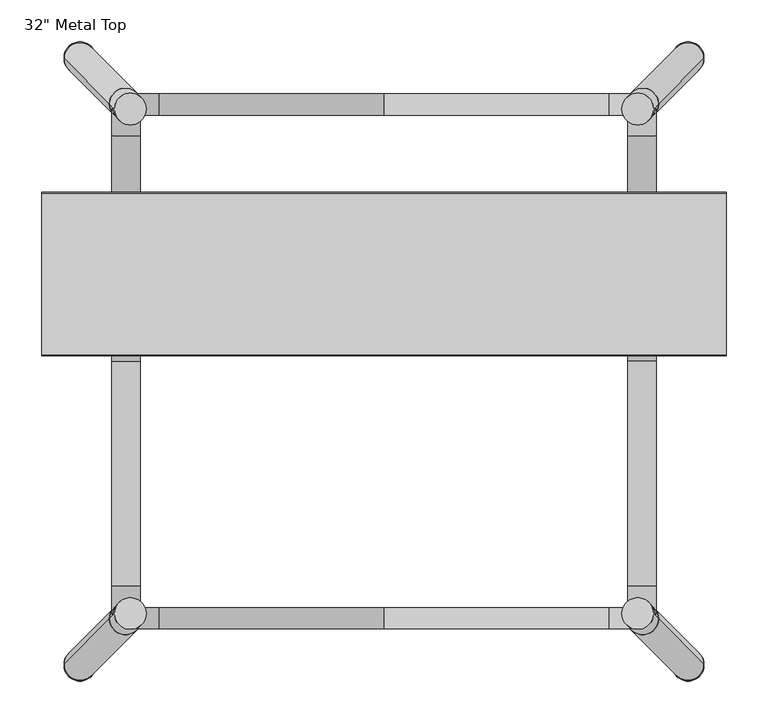
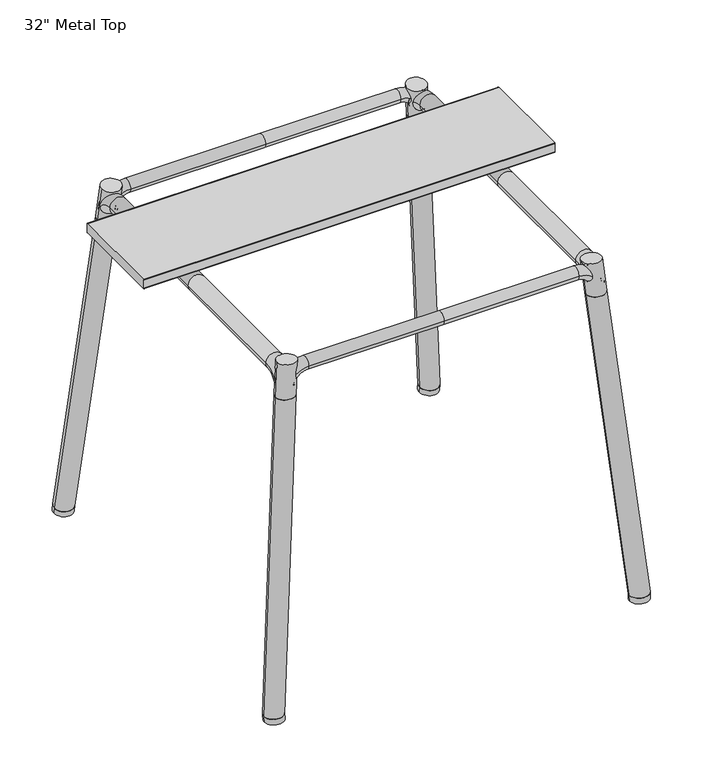
"""IFC4 building model written with IfcOpenShell, lengths in millimetres: furniture geometry."""

from ifc_helpers import new_model, si_unit, point, frame, origin, place, context, project, spatial, circle_curve, ellipse_curve, trimmed, source, transform, mapped, element, save
from ifc_brep_helpers import plane_surface, cylinder_surface, revolved_surface, extruded_surface, advanced_brep


def furniture_397d307a(model_context):
    return source(origin(), model_context, "Body", "AdvancedBrep", [
        advanced_brep(
        [(307.8685234, -121.2830404, 648.1723325), (307.8685234, -95.8830404, 648.1723325), (270.3447327, -121.2830404, 682.1323445), (270.3447327, -95.8830404, 682.1323445), (0.7606771, -121.2830404, 682.1323445), (0.7606771, -95.8830404, 682.1323445), (-306.3471692, -121.2830404, 648.1723325), (-306.3471692, -95.8830404, 648.1723325), (-268.8233785, -95.8830404, 682.1323445), (-268.8233785, -121.2830404, 682.1323445)],
        [
            (0, 1, circle_curve(frame((307.8685234, -108.5830404, 648.1723325), z_axis=(0.09962738029575449, 0.0, -0.9950248163213846), x_axis=(0.0, 1.0, 0.0)), 12.7)),
            (1, 0, circle_curve(frame((307.8685234, -108.5830404, 648.1723325), z_axis=(0.09962738029575449, 0.0, -0.9950248163213846), x_axis=(0.0, 1.0, 0.0)), 12.7)),
            (0, 2, circle_curve(frame((270.3384448, -121.2830404, 644.4146138), z_axis=(0.0, -1.0, 0.0), x_axis=(0.9950248163208736, 0.0, 0.09962738030085823)), 37.7177313)),
            (2, 3, circle_curve(frame((270.3447327, -108.5830404, 682.1323445), z_axis=(0.9999999861040603, 0.0, -0.0001667089654998205), x_axis=(0.0, 1.0, 0.0)), 12.7)),
            (3, 1, circle_curve(frame((270.3384448, -95.8830404, 644.4146138), z_axis=(0.0, 1.0, 0.0), x_axis=(0.9950248163208736, 0.0, 0.09962738030085823)), 37.7177313)),
            (3, 2, circle_curve(frame((270.3447327, -108.5830404, 682.1323445), z_axis=(0.9999999861040604, 0.0, -0.00016670896549936254), x_axis=(0.0, 1.0, 0.0)), 12.7)),
            (2, 4),
            (4, 5, circle_curve(frame((0.7606771, -108.5830404, 682.1323445), z_axis=(1.0, 0.0, -5.1322696092981346e-12), x_axis=(0.0, 1.0, 0.0)), 12.7)),
            (5, 3),
            (5, 4, circle_curve(frame((0.7606771, -108.5830404, 682.1323445), z_axis=(1.0, 0.0, -5.1322696092981346e-12), x_axis=(0.0, 1.0, 0.0)), 12.7)),
            (6, 7, circle_curve(frame((-306.3471692, -108.5830404, 648.1723325), z_axis=(-0.09962738029578194, 0.0, -0.9950248163213818), x_axis=(0.0, 1.0, 0.0)), 12.7)),
            (7, 6, circle_curve(frame((-306.3471692, -108.5830404, 648.1723325), z_axis=(-0.09962738029578194, 0.0, -0.9950248163213818), x_axis=(0.0, 1.0, 0.0)), 12.7)),
            (7, 8, circle_curve(frame((-268.8170906, -95.8830404, 644.4146138), z_axis=(0.0, 1.0, 0.0), x_axis=(-0.9950248163208708, 0.0, 0.09962738030088575)), 37.7177313)),
            (8, 9, circle_curve(frame((-268.8233785, -108.5830404, 682.1323445), z_axis=(-0.9999999861040603, 0.0, -0.00016670896547134328), x_axis=(0.0, 1.0, 0.0)), 12.7)),
            (9, 6, circle_curve(frame((-268.8170906, -121.2830404, 644.4146138), z_axis=(0.0, -1.0, 0.0), x_axis=(-0.9950248163208708, 0.0, 0.09962738030088575)), 37.7177313)),
            (9, 8, circle_curve(frame((-268.8233785, -108.5830404, 682.1323445), z_axis=(-0.9999999861040603, 0.0, -0.00016670896547134328), x_axis=(0.0, 1.0, 0.0)), 12.7)),
            (8, 5),
            (4, 9),
        ],
        [
            plane_surface(frame((307.8685234, -113.5470785, 648.1723325), z_axis=(0.09962738030085824, 0.0, -0.9950248163208736), x_axis=(0.0, -1.0, 0.0))),
            revolved_surface(trimmed(ellipse_curve(frame((307.8685234, -108.5830404, 648.1723325), z_axis=(0.09962738029575449, 0.0, -0.9950248163213846), x_axis=(0.0, 1.0, 0.0)), 12.7, 12.7), [point((307.8685234, -121.2830404, 648.1723325))], [point((307.8685234, -95.8830404, 648.1723325))], True, "CARTESIAN"), (270.3384448, -113.5470785, 644.4146138), (0.0, -1.0, 0.0)),
            revolved_surface(trimmed(ellipse_curve(frame((307.8685234, -108.5830404, 648.1723325), z_axis=(0.09962738029575449, 0.0, -0.9950248163213846), x_axis=(0.0, 1.0, 0.0)), 12.7, 12.7), [point((307.8685234, -95.8830404, 648.1723325))], [point((307.8685234, -121.2830404, 648.1723325))], True, "CARTESIAN"), (270.3384448, -113.5470785, 644.4146138), (0.0, -1.0, 0.0)),
            cylinder_surface(frame((270.3447327, -108.5830404, 682.1323445), z_axis=(1.0, 0.0, -5.1322696092981346e-12), x_axis=(0.0, 1.0, 0.0)), 12.7),
            plane_surface(frame((-306.3471692, -113.5470785, 648.1723325), z_axis=(-0.09962738030088569, 0.0, -0.9950248163208709), x_axis=(0.0, -1.0, 0.0))),
            revolved_surface(trimmed(ellipse_curve(frame((-306.3471692, -108.5830404, 648.1723325), z_axis=(-0.09962738029578194, 0.0, -0.9950248163213818), x_axis=(0.0, 1.0, 0.0)), 12.7, 12.7), [point((-306.3471692, -95.8830404, 648.1723325))], [point((-306.3471692, -121.2830404, 648.1723325))], True, "CARTESIAN"), (-268.8170906, -113.5470785, 644.4146138), (0.0, 1.0, 0.0)),
            revolved_surface(trimmed(ellipse_curve(frame((-306.3471692, -108.5830404, 648.1723325), z_axis=(-0.09962738029578194, 0.0, -0.9950248163213818), x_axis=(0.0, 1.0, 0.0)), 12.7, 12.7), [point((-306.3471692, -121.2830404, 648.1723325))], [point((-306.3471692, -95.8830404, 648.1723325))], True, "CARTESIAN"), (-268.8170906, -113.5470785, 644.4146138), (0.0, 1.0, 0.0)),
            cylinder_surface(frame((-268.8233785, -108.5830404, 682.1323445), z_axis=(-1.0, 0.0, -5.1046944449240064e-12), x_axis=(0.0, 1.0, 0.0)), 12.7),
        ],
        [
            (0, [[1, 2]]),
            (1, [[-1, 3, 4, 5]]),
            (2, [[-2, -5, 6, -3]]),
            (3, [[-4, 7, 8, 9]]),
            (3, [[-6, -9, 10, -7]]),
            (4, [[11, 12]]),
            (5, [[-12, 13, 14, 15]]),
            (6, [[-11, -15, 16, -13]]),
            (7, [[-14, 17, -8, 18]]),
            (7, [[-16, -18, -10, -17]]),
        ],
    ),
        advanced_brep(
        [(-306.3471692, -710.5669596, 648.1723325), (-306.3471692, -735.9669596, 648.1723325), (-268.8233785, -710.5669596, 682.1323445), (-268.8233785, -735.9669596, 682.1323445), (0.7606771, -710.5669596, 682.1323445), (0.7606771, -735.9669596, 682.1323445), (307.8685234, -710.5669596, 648.1723325), (307.8685234, -735.9669596, 648.1723325), (270.3447327, -735.9669596, 682.1323445), (270.3447327, -710.5669596, 682.1323445)],
        [
            (0, 1, circle_curve(frame((-306.3471692, -723.2669596, 648.1723325), z_axis=(-0.09962738029578194, 0.0, -0.9950248163213818), x_axis=(0.0, -1.0, 0.0)), 12.7)),
            (1, 0, circle_curve(frame((-306.3471692, -723.2669596, 648.1723325), z_axis=(-0.09962738029578194, 0.0, -0.9950248163213818), x_axis=(0.0, -1.0, 0.0)), 12.7)),
            (0, 2, circle_curve(frame((-268.8170906, -710.5669596, 644.4146138), z_axis=(0.0, 1.0, 0.0), x_axis=(-0.9950248163208708, 0.0, 0.09962738030088575)), 37.7177313)),
            (2, 3, circle_curve(frame((-268.8233785, -723.2669596, 682.1323445), z_axis=(-0.9999999861040603, 0.0, -0.00016670896546999714), x_axis=(0.0, -1.0, 0.0)), 12.7)),
            (3, 1, circle_curve(frame((-268.8170906, -735.9669596, 644.4146138), z_axis=(0.0, -1.0, 0.0), x_axis=(-0.9950248163208708, 0.0, 0.09962738030088575)), 37.7177313)),
            (3, 2, circle_curve(frame((-268.8233785, -723.2669596, 682.1323445), z_axis=(-0.9999999861040603, 0.0, -0.0001667089654697751), x_axis=(0.0, -1.0, 0.0)), 12.7)),
            (2, 4),
            (4, 5, circle_curve(frame((0.7606771, -723.2669596, 682.1323445), z_axis=(-1.0, 0.0, -5.1046944449240064e-12), x_axis=(0.0, -1.0, 0.0)), 12.7)),
            (5, 3),
            (5, 4, circle_curve(frame((0.7606771, -723.2669596, 682.1323445), z_axis=(-1.0, 0.0, -5.1046944449240064e-12), x_axis=(0.0, -1.0, 0.0)), 12.7)),
            (6, 7, circle_curve(frame((307.8685234, -723.2669596, 648.1723325), z_axis=(0.09962738029575449, 0.0, -0.9950248163213846), x_axis=(0.0, -1.0, 0.0)), 12.7)),
            (7, 6, circle_curve(frame((307.8685234, -723.2669596, 648.1723325), z_axis=(0.09962738029575449, 0.0, -0.9950248163213846), x_axis=(0.0, -1.0, 0.0)), 12.7)),
            (7, 8, circle_curve(frame((270.3384448, -735.9669596, 644.4146138), z_axis=(0.0, -1.0, 0.0), x_axis=(0.9950248163208736, 0.0, 0.09962738030085823)), 37.7177313)),
            (8, 9, circle_curve(frame((270.3447327, -723.2669596, 682.1323445), z_axis=(0.9999999861040604, 0.0, -0.00016670896549936254), x_axis=(0.0, -1.0, 0.0)), 12.7)),
            (9, 6, circle_curve(frame((270.3384448, -710.5669596, 644.4146138), z_axis=(0.0, 1.0, 0.0), x_axis=(0.9950248163208736, 0.0, 0.09962738030085823)), 37.7177313)),
            (9, 8, circle_curve(frame((270.3447327, -723.2669596, 682.1323445), z_axis=(0.9999999861040603, 0.0, -0.0001667089654998205), x_axis=(0.0, -1.0, 0.0)), 12.7)),
            (8, 5),
            (4, 9),
        ],
        [
            plane_surface(frame((-306.3471692, -718.3029215, 648.1723325), z_axis=(-0.09962738030088569, 0.0, -0.9950248163208709), x_axis=(0.0, 1.0, 0.0))),
            revolved_surface(trimmed(ellipse_curve(frame((-306.3471692, -723.2669596, 648.1723325), z_axis=(-0.09962738029578194, 0.0, -0.9950248163213818), x_axis=(0.0, -1.0, 0.0)), 12.7, 12.7), [point((-306.3471692, -710.5669596, 648.1723325))], [point((-306.3471692, -735.9669596, 648.1723325))], True, "CARTESIAN"), (-268.8170906, -718.3029215, 644.4146138), (0.0, 1.0, 0.0)),
            revolved_surface(trimmed(ellipse_curve(frame((-306.3471692, -723.2669596, 648.1723325), z_axis=(-0.09962738029578194, 0.0, -0.9950248163213818), x_axis=(0.0, -1.0, 0.0)), 12.7, 12.7), [point((-306.3471692, -735.9669596, 648.1723325))], [point((-306.3471692, -710.5669596, 648.1723325))], True, "CARTESIAN"), (-268.8170906, -718.3029215, 644.4146138), (0.0, 1.0, 0.0)),
            cylinder_surface(frame((-268.8233785, -723.2669596, 682.1323445), z_axis=(-1.0, 0.0, -5.1046944449240064e-12), x_axis=(0.0, -1.0, 0.0)), 12.7),
            plane_surface(frame((307.8685234, -718.3029215, 648.1723325), z_axis=(0.09962738030085824, 0.0, -0.9950248163208736), x_axis=(0.0, 1.0, 0.0))),
            revolved_surface(trimmed(ellipse_curve(frame((307.8685234, -723.2669596, 648.1723325), z_axis=(0.09962738029575449, 0.0, -0.9950248163213846), x_axis=(0.0, -1.0, 0.0)), 12.7, 12.7), [point((307.8685234, -735.9669596, 648.1723325))], [point((307.8685234, -710.5669596, 648.1723325))], True, "CARTESIAN"), (270.3384448, -718.3029215, 644.4146138), (0.0, -1.0, 0.0)),
            revolved_surface(trimmed(ellipse_curve(frame((307.8685234, -723.2669596, 648.1723325), z_axis=(0.09962738029575449, 0.0, -0.9950248163213846), x_axis=(0.0, -1.0, 0.0)), 12.7, 12.7), [point((307.8685234, -710.5669596, 648.1723325))], [point((307.8685234, -735.9669596, 648.1723325))], True, "CARTESIAN"), (270.3384448, -718.3029215, 644.4146138), (0.0, -1.0, 0.0)),
            cylinder_surface(frame((270.3447327, -723.2669596, 682.1323445), z_axis=(1.0, 0.0, -5.1322696092981346e-12), x_axis=(0.0, -1.0, 0.0)), 12.7),
        ],
        [
            (0, [[1, 2]]),
            (1, [[-1, 3, 4, 5]]),
            (2, [[-2, -5, 6, -3]]),
            (3, [[-4, 7, 8, 9]]),
            (3, [[-6, -9, 10, -7]]),
            (4, [[11, 12]]),
            (5, [[-12, 13, 14, 15]]),
            (6, [[-11, -15, 16, -13]]),
            (7, [[-14, 17, -8, 18]]),
            (7, [[-16, -18, -10, -17]]),
        ],
    ),
        advanced_brep(
        [(345.6087557, -53.3023764, 9.3894767), (383.7087557, -53.3023764, 9.3894767), (345.6025545, -52.3323275, -1.656041), (383.7025545, -52.3323275, -1.656041)],
        [
            (0, 1, circle_curve(frame((364.6587557, -53.3023764, 9.3894767), z_axis=(0.0, -0.08748612022239036, 0.9961657386039903), x_axis=(-1.0, 0.0, 0.0)), 19.05)),
            (1, 0, circle_curve(frame((364.6587557, -53.3023764, 9.3894767), z_axis=(0.0, -0.08748612022239036, 0.9961657386039903), x_axis=(-1.0, 0.0, 0.0)), 19.05)),
            (2, 3, circle_curve(frame((364.6525545, -52.3323275, -1.656041), z_axis=(0.0, 0.08748612022239036, -0.9961657386039903), x_axis=(1.0, 0.0, 0.0)), 19.05)),
            (3, 2, circle_curve(frame((364.6525545, -52.3323275, -1.656041), z_axis=(0.0, 0.08748612022239036, -0.9961657386039903), x_axis=(1.0, 0.0, 0.0)), 19.05)),
            (2, 0),
            (1, 3),
        ],
        [
            plane_surface(frame((364.6587557, -53.3023764, 9.3894767), z_axis=(0.0, -0.08748612022239036, 0.9961657386039903), x_axis=(0.0, 0.9961657386039903, 0.08748612022239036))),
            plane_surface(frame((364.6525545, -52.3323275, -1.656041), z_axis=(0.0, 0.08748612022239036, -0.9961657386039903), x_axis=(0.0, -0.9961657386039903, -0.08748612022239036))),
            extruded_surface(trimmed(circle_curve(frame((364.6525545, -52.3323275, -1.656041), z_axis=(0.0, -0.08748612022239036, 0.9961657386039903), x_axis=(1.0, 0.0, 0.0)), 19.05), [point((383.7025545, -52.3323275, -1.656041))], [point((345.6025545, -52.3323275, -1.656041))], True, "CARTESIAN"), (0.006201199999964047, -0.9700489000000019, 11.0455177), 11.08803384664233),
            extruded_surface(trimmed(circle_curve(frame((364.6525545, -52.3323275, -1.656041), z_axis=(0.0, -0.08748612022239036, 0.9961657386039903), x_axis=(1.0, 0.0, 0.0)), 19.05), [point((345.6025545, -52.3323275, -1.656041))], [point((383.7025545, -52.3323275, -1.656041))], True, "CARTESIAN"), (0.006201199999964047, -0.9700489000000019, 11.0455177), 11.08803384664233),
        ],
        [
            (0, [[1, 2]]),
            (1, [[3, 4]]),
            (2, [[-3, 5, -2, 6]]),
            (3, [[-4, -6, -1, -5]]),
        ],
    ),
        advanced_brep(
        [(-344.0874015, -53.3023764, 9.3894767), (-382.1874015, -53.3023764, 9.3894767), (-344.0812003, -52.3323275, -1.656041), (-382.1812003, -52.3323275, -1.656041)],
        [
            (0, 1, circle_curve(frame((-363.1374015, -53.3023764, 9.3894767), z_axis=(0.0, -0.08748612022239036, 0.9961657386039903), x_axis=(1.0, 0.0, 0.0)), 19.05)),
            (1, 0, circle_curve(frame((-363.1374015, -53.3023764, 9.3894767), z_axis=(0.0, -0.08748612022239036, 0.9961657386039903), x_axis=(1.0, 0.0, 0.0)), 19.05)),
            (2, 3, circle_curve(frame((-363.1312003, -52.3323275, -1.656041), z_axis=(0.0, 0.08748612022239036, -0.9961657386039903), x_axis=(-1.0, 0.0, 0.0)), 19.05)),
            (3, 2, circle_curve(frame((-363.1312003, -52.3323275, -1.656041), z_axis=(0.0, 0.08748612022239036, -0.9961657386039903), x_axis=(-1.0, 0.0, 0.0)), 19.05)),
            (3, 1),
            (0, 2),
        ],
        [
            plane_surface(frame((-363.1374015, -53.3023764, 9.3894767), z_axis=(0.0, -0.08748612022239036, 0.9961657386039903), x_axis=(0.0, -0.9961657386039903, -0.08748612022239036))),
            plane_surface(frame((-363.1312003, -52.3323275, -1.656041), z_axis=(0.0, 0.08748612022239036, -0.9961657386039903), x_axis=(0.0, 0.9961657386039903, 0.08748612022239036))),
            extruded_surface(trimmed(circle_curve(frame((-363.1312003, -52.3323275, -1.656041), z_axis=(0.0, -0.08748612022239036, 0.9961657386039903), x_axis=(-1.0, 0.0, 0.0)), 19.05), [point((-344.0812003, -52.3323275, -1.656041))], [point((-382.1812003, -52.3323275, -1.656041))], True, "CARTESIAN"), (-0.00620120000002089, -0.9700489000000019, 11.0455177), 11.08803384664233),
            extruded_surface(trimmed(circle_curve(frame((-363.1312003, -52.3323275, -1.656041), z_axis=(0.0, -0.08748612022239036, 0.9961657386039903), x_axis=(-1.0, 0.0, 0.0)), 19.05), [point((-382.1812003, -52.3323275, -1.656041))], [point((-344.0812003, -52.3323275, -1.656041))], True, "CARTESIAN"), (-0.00620120000002089, -0.9700489000000019, 11.0455177), 11.08803384664233),
        ],
        [
            (0, [[1, 2]]),
            (1, [[3, 4]]),
            (2, [[-4, 5, -1, 6]]),
            (3, [[-3, -6, -2, -5]]),
        ],
    ),
        advanced_brep(
        [(345.6087557, -778.5476236, 9.3894767), (383.7087557, -778.5476236, 9.3894767), (345.6025545, -779.5176725, -1.656041), (383.7025545, -779.5176725, -1.656041)],
        [
            (0, 1, circle_curve(frame((364.6587557, -778.5476236, 9.3894767), z_axis=(0.0, 0.08748612022239036, 0.9961657386039903), x_axis=(-1.0, 0.0, 0.0)), 19.05)),
            (1, 0, circle_curve(frame((364.6587557, -778.5476236, 9.3894767), z_axis=(0.0, 0.08748612022239036, 0.9961657386039903), x_axis=(-1.0, 0.0, 0.0)), 19.05)),
            (2, 3, circle_curve(frame((364.6525545, -779.5176725, -1.656041), z_axis=(0.0, -0.08748612022239036, -0.9961657386039903), x_axis=(1.0, 0.0, 0.0)), 19.05)),
            (3, 2, circle_curve(frame((364.6525545, -779.5176725, -1.656041), z_axis=(0.0, -0.08748612022239036, -0.9961657386039903), x_axis=(1.0, 0.0, 0.0)), 19.05)),
            (3, 1),
            (0, 2),
        ],
        [
            plane_surface(frame((364.6587557, -778.5476236, 9.3894767), z_axis=(0.0, 0.08748612022239036, 0.9961657386039903), x_axis=(0.0, 0.9961657386039903, -0.08748612022239036))),
            plane_surface(frame((364.6525545, -779.5176725, -1.656041), z_axis=(0.0, -0.08748612022239036, -0.9961657386039903), x_axis=(0.0, -0.9961657386039903, 0.08748612022239036))),
            extruded_surface(trimmed(circle_curve(frame((364.6525545, -779.5176725, -1.656041), z_axis=(0.0, 0.08748612022239036, 0.9961657386039903), x_axis=(1.0, 0.0, 0.0)), 19.05), [point((345.6025545, -779.5176725, -1.656041))], [point((383.7025545, -779.5176725, -1.656041))], True, "CARTESIAN"), (0.006201199999964047, 0.9700489000000516, 11.0455177), 11.088033846642336),
            extruded_surface(trimmed(circle_curve(frame((364.6525545, -779.5176725, -1.656041), z_axis=(0.0, 0.08748612022239036, 0.9961657386039903), x_axis=(1.0, 0.0, 0.0)), 19.05), [point((383.7025545, -779.5176725, -1.656041))], [point((345.6025545, -779.5176725, -1.656041))], True, "CARTESIAN"), (0.006201199999964047, 0.9700489000000516, 11.0455177), 11.088033846642336),
        ],
        [
            (0, [[1, 2]]),
            (1, [[3, 4]]),
            (2, [[-4, 5, -1, 6]]),
            (3, [[-3, -6, -2, -5]]),
        ],
    ),
        advanced_brep(
        [(-344.0874015, -778.5476236, 9.3894767), (-382.1874015, -778.5476236, 9.3894767), (-344.0812003, -779.5176725, -1.656041), (-382.1812003, -779.5176725, -1.656041)],
        [
            (0, 1, circle_curve(frame((-363.1374015, -778.5476236, 9.3894767), z_axis=(0.0, 0.08748612022239036, 0.9961657386039903), x_axis=(1.0, 0.0, 0.0)), 19.05)),
            (1, 0, circle_curve(frame((-363.1374015, -778.5476236, 9.3894767), z_axis=(0.0, 0.08748612022239036, 0.9961657386039903), x_axis=(1.0, 0.0, 0.0)), 19.05)),
            (2, 3, circle_curve(frame((-363.1312003, -779.5176725, -1.656041), z_axis=(0.0, -0.08748612022239036, -0.9961657386039903), x_axis=(-1.0, 0.0, 0.0)), 19.05)),
            (3, 2, circle_curve(frame((-363.1312003, -779.5176725, -1.656041), z_axis=(0.0, -0.08748612022239036, -0.9961657386039903), x_axis=(-1.0, 0.0, 0.0)), 19.05)),
            (2, 0),
            (1, 3),
        ],
        [
            plane_surface(frame((-363.1374015, -778.5476236, 9.3894767), z_axis=(0.0, 0.08748612022239036, 0.9961657386039903), x_axis=(0.0, -0.9961657386039903, 0.08748612022239036))),
            plane_surface(frame((-363.1312003, -779.5176725, -1.656041), z_axis=(0.0, -0.08748612022239036, -0.9961657386039903), x_axis=(0.0, 0.9961657386039903, -0.08748612022239036))),
            extruded_surface(trimmed(circle_curve(frame((-363.1312003, -779.5176725, -1.656041), z_axis=(0.0, 0.08748612022239036, 0.9961657386039903), x_axis=(-1.0, 0.0, 0.0)), 19.05), [point((-382.1812003, -779.5176725, -1.656041))], [point((-344.0812003, -779.5176725, -1.656041))], True, "CARTESIAN"), (-0.00620120000002089, 0.9700489000000516, 11.0455177), 11.088033846642336),
            extruded_surface(trimmed(circle_curve(frame((-363.1312003, -779.5176725, -1.656041), z_axis=(0.0, 0.08748612022239036, 0.9961657386039903), x_axis=(-1.0, 0.0, 0.0)), 19.05), [point((-344.0812003, -779.5176725, -1.656041))], [point((-382.1812003, -779.5176725, -1.656041))], True, "CARTESIAN"), (-0.00620120000002089, 0.9700489000000516, 11.0455177), 11.088033846642336),
        ],
        [
            (0, [[1, 2]]),
            (1, [[3, 4]]),
            (2, [[-3, 5, -2, 6]]),
            (3, [[-4, -6, -1, -5]]),
        ],
    ),
        advanced_brep(
        [(-289.696923, -724.0778553, 629.301031), (-327.796923, -724.0778553, 629.301031), (-344.0812003, -778.5204679, 9.3870918), (-382.1812003, -778.5204679, 9.3870918)],
        [
            (0, 1, circle_curve(frame((-308.746923, -724.0778553, 629.301031), z_axis=(0.0, 0.08748612022239144, 0.9961657386039903), x_axis=(1.0, 0.0, 0.0)), 19.05)),
            (1, 0, circle_curve(frame((-308.746923, -724.0778553, 629.301031), z_axis=(0.0, 0.08748612022239144, 0.9961657386039903), x_axis=(1.0, 0.0, 0.0)), 19.05)),
            (2, 3, circle_curve(frame((-363.1312003, -778.5204679, 9.3870918), z_axis=(0.0, -0.08748612022239144, -0.9961657386039903), x_axis=(-1.0, 0.0, 0.0)), 19.05)),
            (3, 2, circle_curve(frame((-363.1312003, -778.5204679, 9.3870918), z_axis=(0.0, -0.08748612022239144, -0.9961657386039903), x_axis=(-1.0, 0.0, 0.0)), 19.05)),
            (2, 0),
            (1, 3),
        ],
        [
            plane_surface(frame((-308.746923, -724.0778553, 629.301031), z_axis=(0.0, 0.08748612022239144, 0.9961657386039903), x_axis=(0.0, -0.9961657386039903, 0.08748612022239144))),
            plane_surface(frame((-363.1312003, -778.5204679, 9.3870918), z_axis=(0.0, -0.08748612022239144, -0.9961657386039903), x_axis=(0.0, 0.9961657386039903, -0.08748612022239144))),
            extruded_surface(trimmed(circle_curve(frame((-363.1312003, -778.5204679, 9.3870918), z_axis=(0.0, 0.08748612022239144, 0.9961657386039903), x_axis=(-1.0, 0.0, 0.0)), 19.05), [point((-382.1812003, -778.5204679, 9.3870918))], [point((-344.0812003, -778.5204679, 9.3870918))], True, "CARTESIAN"), (54.38427730000001, 54.44261259999996, 619.9139392), 624.6718656211581),
            extruded_surface(trimmed(circle_curve(frame((-363.1312003, -778.5204679, 9.3870918), z_axis=(0.0, 0.08748612022239144, 0.9961657386039903), x_axis=(-1.0, 0.0, 0.0)), 19.05), [point((-344.0812003, -778.5204679, 9.3870918))], [point((-382.1812003, -778.5204679, 9.3870918))], True, "CARTESIAN"), (54.38427730000001, 54.44261259999996, 619.9139392), 624.6718656211581),
        ],
        [
            (0, [[1, 2]]),
            (1, [[3, 4]]),
            (2, [[-3, 5, -2, 6]]),
            (3, [[-4, -6, -1, -5]]),
        ],
    ),
        advanced_brep(
        [(-289.696923, -107.7721447, 629.301031), (-327.796923, -107.7721447, 629.301031), (-344.0812003, -53.3295321, 9.3870918), (-382.1812003, -53.3295321, 9.3870918)],
        [
            (0, 1, circle_curve(frame((-308.746923, -107.7721447, 629.301031), z_axis=(0.0, -0.08748612022239144, 0.9961657386039903), x_axis=(1.0, 0.0, 0.0)), 19.05)),
            (1, 0, circle_curve(frame((-308.746923, -107.7721447, 629.301031), z_axis=(0.0, -0.08748612022239144, 0.9961657386039903), x_axis=(1.0, 0.0, 0.0)), 19.05)),
            (2, 3, circle_curve(frame((-363.1312003, -53.3295321, 9.3870918), z_axis=(0.0, 0.08748612022239144, -0.9961657386039903), x_axis=(-1.0, 0.0, 0.0)), 19.05)),
            (3, 2, circle_curve(frame((-363.1312003, -53.3295321, 9.3870918), z_axis=(0.0, 0.08748612022239144, -0.9961657386039903), x_axis=(-1.0, 0.0, 0.0)), 19.05)),
            (3, 1),
            (0, 2),
        ],
        [
            plane_surface(frame((-308.746923, -107.7721447, 629.301031), z_axis=(0.0, -0.08748612022239144, 0.9961657386039903), x_axis=(0.0, -0.9961657386039903, -0.08748612022239144))),
            plane_surface(frame((-363.1312003, -53.3295321, 9.3870918), z_axis=(0.0, 0.08748612022239144, -0.9961657386039903), x_axis=(0.0, 0.9961657386039903, 0.08748612022239144))),
            extruded_surface(trimmed(circle_curve(frame((-363.1312003, -53.3295321, 9.3870918), z_axis=(0.0, -0.08748612022239144, 0.9961657386039903), x_axis=(-1.0, 0.0, 0.0)), 19.05), [point((-344.0812003, -53.3295321, 9.3870918))], [point((-382.1812003, -53.3295321, 9.3870918))], True, "CARTESIAN"), (54.38427730000001, -54.4426126, 619.9139392), 624.6718656211581),
            extruded_surface(trimmed(circle_curve(frame((-363.1312003, -53.3295321, 9.3870918), z_axis=(0.0, -0.08748612022239144, 0.9961657386039903), x_axis=(-1.0, 0.0, 0.0)), 19.05), [point((-382.1812003, -53.3295321, 9.3870918))], [point((-344.0812003, -53.3295321, 9.3870918))], True, "CARTESIAN"), (54.38427730000001, -54.4426126, 619.9139392), 624.6718656211581),
        ],
        [
            (0, [[1, 2]]),
            (1, [[3, 4]]),
            (2, [[-4, 5, -1, 6]]),
            (3, [[-3, -6, -2, -5]]),
        ],
    ),
        advanced_brep(
        [(291.2182771, -724.0778553, 629.301031), (329.3182771, -724.0778553, 629.301031), (345.6025545, -778.5204679, 9.3870918), (383.7025545, -778.5204679, 9.3870918)],
        [
            (0, 1, circle_curve(frame((310.2682771, -724.0778553, 629.301031), z_axis=(0.0, 0.08748612022239144, 0.9961657386039903), x_axis=(-1.0, 0.0, 0.0)), 19.05)),
            (1, 0, circle_curve(frame((310.2682771, -724.0778553, 629.301031), z_axis=(0.0, 0.08748612022239144, 0.9961657386039903), x_axis=(-1.0, 0.0, 0.0)), 19.05)),
            (2, 3, circle_curve(frame((364.6525545, -778.5204679, 9.3870918), z_axis=(0.0, -0.08748612022239144, -0.9961657386039903), x_axis=(1.0, 0.0, 0.0)), 19.05)),
            (3, 2, circle_curve(frame((364.6525545, -778.5204679, 9.3870918), z_axis=(0.0, -0.08748612022239144, -0.9961657386039903), x_axis=(1.0, 0.0, 0.0)), 19.05)),
            (3, 1),
            (0, 2),
        ],
        [
            plane_surface(frame((310.2682771, -724.0778553, 629.301031), z_axis=(0.0, 0.08748612022239144, 0.9961657386039903), x_axis=(0.0, 0.9961657386039903, -0.08748612022239144))),
            plane_surface(frame((364.6525545, -778.5204679, 9.3870918), z_axis=(0.0, -0.08748612022239144, -0.9961657386039903), x_axis=(0.0, -0.9961657386039903, 0.08748612022239144))),
            extruded_surface(trimmed(circle_curve(frame((364.6525545, -778.5204679, 9.3870918), z_axis=(0.0, 0.08748612022239144, 0.9961657386039903), x_axis=(1.0, 0.0, 0.0)), 19.05), [point((345.6025545, -778.5204679, 9.3870918))], [point((383.7025545, -778.5204679, 9.3870918))], True, "CARTESIAN"), (-54.38427740000003, 54.44261259999996, 619.9139392), 624.6718656298641),
            extruded_surface(trimmed(circle_curve(frame((364.6525545, -778.5204679, 9.3870918), z_axis=(0.0, 0.08748612022239144, 0.9961657386039903), x_axis=(1.0, 0.0, 0.0)), 19.05), [point((383.7025545, -778.5204679, 9.3870918))], [point((345.6025545, -778.5204679, 9.3870918))], True, "CARTESIAN"), (-54.38427740000003, 54.44261259999996, 619.9139392), 624.6718656298641),
        ],
        [
            (0, [[1, 2]]),
            (1, [[3, 4]]),
            (2, [[-4, 5, -1, 6]]),
            (3, [[-3, -6, -2, -5]]),
        ],
    ),
        advanced_brep(
        [(291.2182771, -107.7721447, 629.301031), (329.3182771, -107.7721447, 629.301031), (345.6025545, -53.3295321, 9.3870918), (383.7025545, -53.3295321, 9.3870918)],
        [
            (0, 1, circle_curve(frame((310.2682771, -107.7721447, 629.301031), z_axis=(0.0, -0.08748612022239144, 0.9961657386039903), x_axis=(-1.0, 0.0, 0.0)), 19.05)),
            (1, 0, circle_curve(frame((310.2682771, -107.7721447, 629.301031), z_axis=(0.0, -0.08748612022239144, 0.9961657386039903), x_axis=(-1.0, 0.0, 0.0)), 19.05)),
            (2, 3, circle_curve(frame((364.6525545, -53.3295321, 9.3870918), z_axis=(0.0, 0.08748612022239144, -0.9961657386039903), x_axis=(1.0, 0.0, 0.0)), 19.05)),
            (3, 2, circle_curve(frame((364.6525545, -53.3295321, 9.3870918), z_axis=(0.0, 0.08748612022239144, -0.9961657386039903), x_axis=(1.0, 0.0, 0.0)), 19.05)),
            (2, 0),
            (1, 3),
        ],
        [
            plane_surface(frame((310.2682771, -107.7721447, 629.301031), z_axis=(0.0, -0.08748612022239144, 0.9961657386039903), x_axis=(0.0, 0.9961657386039903, 0.08748612022239144))),
            plane_surface(frame((364.6525545, -53.3295321, 9.3870918), z_axis=(0.0, 0.08748612022239144, -0.9961657386039903), x_axis=(0.0, -0.9961657386039903, -0.08748612022239144))),
            extruded_surface(trimmed(circle_curve(frame((364.6525545, -53.3295321, 9.3870918), z_axis=(0.0, -0.08748612022239144, 0.9961657386039903), x_axis=(1.0, 0.0, 0.0)), 19.05), [point((383.7025545, -53.3295321, 9.3870918))], [point((345.6025545, -53.3295321, 9.3870918))], True, "CARTESIAN"), (-54.38427740000003, -54.4426126, 619.9139392), 624.6718656298641),
            extruded_surface(trimmed(circle_curve(frame((364.6525545, -53.3295321, 9.3870918), z_axis=(0.0, -0.08748612022239144, 0.9961657386039903), x_axis=(1.0, 0.0, 0.0)), 19.05), [point((345.6025545, -53.3295321, 9.3870918))], [point((383.7025545, -53.3295321, 9.3870918))], True, "CARTESIAN"), (-54.38427740000003, -54.4426126, 619.9139392), 624.6718656298641),
        ],
        [
            (0, [[1, 2]]),
            (1, [[3, 4]]),
            (2, [[-3, 5, -2, 6]]),
            (3, [[-4, -6, -1, -5]]),
        ],
    ),
        advanced_brep(
        [(-290.8782326, -108.6275545, 643.0129575), (-324.9350957, -108.6275545, 643.0129575), (-290.8782326, -146.1513452, 676.9729695), (-324.9350957, -146.1513452, 676.9729695), (-290.8782326, -415.7354008, 676.9729695), (-324.9350957, -415.7354008, 676.9729695), (-290.8782326, -722.8432471, 643.0129575), (-324.9350957, -722.8432471, 643.0129575), (-324.9350957, -685.3194564, 676.9729695), (-290.8782326, -685.3194564, 676.9729695)],
        [
            (0, 1, circle_curve(frame((-307.9066642, -108.6275545, 643.0129575), z_axis=(0.0, 0.09962738029575449, -0.9950248163213846), x_axis=(-1.0, 0.0, 0.0)), 17.0284315)),
            (1, 0, circle_curve(frame((-307.9066642, -108.6275545, 643.0129575), z_axis=(0.0, 0.09962738029575449, -0.9950248163213846), x_axis=(-1.0, 0.0, 0.0)), 17.0284315)),
            (0, 2, circle_curve(frame((-290.8782326, -146.1576331, 639.2552388), z_axis=(1.0, 0.0, 0.0), x_axis=(0.0, 0.9950248163208736, 0.09962738030085823)), 37.7177313)),
            (2, 3, circle_curve(frame((-307.9066642, -146.1513452, 676.9729695), z_axis=(0.0, 0.9999999861040604, -0.00016670896549936254), x_axis=(-1.0, 0.0, 0.0)), 17.0284315)),
            (3, 1, circle_curve(frame((-324.9350957, -146.1576331, 639.2552388), z_axis=(-1.0, 0.0, 0.0), x_axis=(0.0, 0.9950248163208736, 0.09962738030085823)), 37.7177313)),
            (3, 2, circle_curve(frame((-307.9066642, -146.1513452, 676.9729695), z_axis=(0.0, 0.9999999861040604, -0.00016670896549936254), x_axis=(-1.0, 0.0, 0.0)), 17.0284315)),
            (2, 4),
            (4, 5, circle_curve(frame((-307.9066642, -415.7354008, 676.9729695), z_axis=(0.0, 1.0, -5.1322696092981346e-12), x_axis=(-1.0, 0.0, 0.0)), 17.0284315)),
            (5, 3),
            (5, 4, circle_curve(frame((-307.9066642, -415.7354008, 676.9729695), z_axis=(0.0, 1.0, -5.1322696092981346e-12), x_axis=(-1.0, 0.0, 0.0)), 17.0284315)),
            (6, 7, circle_curve(frame((-307.9066642, -722.8432471, 643.0129575), z_axis=(0.0, -0.09962738029575402, -0.9950248163213846), x_axis=(-1.0, 0.0, 0.0)), 17.0284315)),
            (7, 6, circle_curve(frame((-307.9066642, -722.8432471, 643.0129575), z_axis=(0.0, -0.09962738029575402, -0.9950248163213846), x_axis=(-1.0, 0.0, 0.0)), 17.0284315)),
            (7, 8, circle_curve(frame((-324.9350957, -685.3131685, 639.2552388), z_axis=(-1.0, 0.0, 0.0), x_axis=(0.0, -0.9950248163208736, 0.09962738030085823)), 37.7177313)),
            (8, 9, circle_curve(frame((-307.9066642, -685.3194564, 676.9729695), z_axis=(0.0, -0.9999999861040603, -0.00016670896549850212), x_axis=(-1.0, 0.0, 0.0)), 17.0284315)),
            (9, 6, circle_curve(frame((-290.8782326, -685.3131685, 639.2552388), z_axis=(1.0, 0.0, 0.0), x_axis=(0.0, -0.9950248163208736, 0.09962738030085823)), 37.7177313)),
            (9, 8, circle_curve(frame((-307.9066642, -685.3194564, 676.9729695), z_axis=(0.0, -0.9999999861040603, -0.0001667089654960735), x_axis=(-1.0, 0.0, 0.0)), 17.0284315)),
            (8, 5),
            (4, 9),
        ],
        [
            plane_surface(frame((-302.9426261, -108.6275545, 643.0129575), z_axis=(0.0, 0.09962738030085824, -0.9950248163208736), x_axis=(1.0, 0.0, 0.0))),
            revolved_surface(trimmed(ellipse_curve(frame((-307.9066642, -108.6275545, 643.0129575), z_axis=(0.0, 0.09962738029575449, -0.9950248163213846), x_axis=(-1.0, 0.0, 0.0)), 17.0284315, 17.0284315), [point((-290.8782326, -108.6275545, 643.0129575))], [point((-324.9350957, -108.6275545, 643.0129575))], True, "CARTESIAN"), (-302.9426261, -146.1576331, 639.2552388), (1.0, 0.0, 0.0)),
            revolved_surface(trimmed(ellipse_curve(frame((-307.9066642, -108.6275545, 643.0129575), z_axis=(0.0, 0.09962738029575449, -0.9950248163213846), x_axis=(-1.0, 0.0, 0.0)), 17.0284315, 17.0284315), [point((-324.9350957, -108.6275545, 643.0129575))], [point((-290.8782326, -108.6275545, 643.0129575))], True, "CARTESIAN"), (-302.9426261, -146.1576331, 639.2552388), (1.0, 0.0, 0.0)),
            cylinder_surface(frame((-307.9066642, -146.1513452, 676.9729695), z_axis=(0.0, 1.0, -5.1322696092981346e-12), x_axis=(-1.0, 0.0, 0.0)), 17.0284315),
            plane_surface(frame((-302.9426261, -722.8432471, 643.0129575), z_axis=(0.0, -0.09962738030085834, -0.9950248163208736), x_axis=(1.0, 0.0, 0.0))),
            revolved_surface(trimmed(ellipse_curve(frame((-307.9066642, -722.8432471, 643.0129575), z_axis=(0.0, -0.09962738029575402, -0.9950248163213846), x_axis=(-1.0, 0.0, 0.0)), 17.0284315, 17.0284315), [point((-324.9350957, -722.8432471, 643.0129575))], [point((-290.8782326, -722.8432471, 643.0129575))], True, "CARTESIAN"), (-302.9426261, -685.3131685, 639.2552388), (-1.0, 0.0, 0.0)),
            revolved_surface(trimmed(ellipse_curve(frame((-307.9066642, -722.8432471, 643.0129575), z_axis=(0.0, -0.09962738029575402, -0.9950248163213846), x_axis=(-1.0, 0.0, 0.0)), 17.0284315, 17.0284315), [point((-290.8782326, -722.8432471, 643.0129575))], [point((-324.9350957, -722.8432471, 643.0129575))], True, "CARTESIAN"), (-302.9426261, -685.3131685, 639.2552388), (-1.0, 0.0, 0.0)),
            cylinder_surface(frame((-307.9066642, -685.3194564, 676.9729695), z_axis=(0.0, -1.0, -5.132977376476332e-12), x_axis=(-1.0, 0.0, 0.0)), 17.0284315),
        ],
        [
            (0, [[1, 2]]),
            (1, [[-1, 3, 4, 5]]),
            (2, [[-2, -5, 6, -3]]),
            (3, [[-4, 7, 8, 9]]),
            (3, [[-6, -9, 10, -7]]),
            (4, [[11, 12]]),
            (5, [[-12, 13, 14, 15]]),
            (6, [[-11, -15, 16, -13]]),
            (7, [[-14, 17, -8, 18]]),
            (7, [[-16, -18, -10, -17]]),
        ],
    ),
        advanced_brep(
        [(292.3995868, -722.8432471, 643.0129575), (326.4564499, -722.8432471, 643.0129575), (292.3995868, -685.3194564, 676.9729695), (326.4564499, -685.3194564, 676.9729695), (292.3995868, -415.7354008, 676.9729695), (326.4564499, -415.7354008, 676.9729695), (292.3995868, -108.6275545, 643.0129575), (326.4564499, -108.6275545, 643.0129575), (326.4564499, -146.1513452, 676.9729695), (292.3995868, -146.1513452, 676.9729695)],
        [
            (0, 1, circle_curve(frame((309.4280184, -722.8432471, 643.0129575), z_axis=(0.0, -0.09962738029575402, -0.9950248163213846), x_axis=(1.0, 0.0, 0.0)), 17.0284315)),
            (1, 0, circle_curve(frame((309.4280184, -722.8432471, 643.0129575), z_axis=(0.0, -0.09962738029575402, -0.9950248163213846), x_axis=(1.0, 0.0, 0.0)), 17.0284315)),
            (0, 2, circle_curve(frame((292.3995868, -685.3131685, 639.2552388), z_axis=(-1.0, 0.0, 0.0), x_axis=(0.0, -0.9950248163208736, 0.09962738030085823)), 37.7177313)),
            (2, 3, circle_curve(frame((309.4280184, -685.3194564, 676.9729695), z_axis=(0.0, -0.9999999861040604, -0.0001667089654965176), x_axis=(1.0, 0.0, 0.0)), 17.0284315)),
            (3, 1, circle_curve(frame((326.4564499, -685.3131685, 639.2552388), z_axis=(1.0, 0.0, 0.0), x_axis=(0.0, -0.9950248163208736, 0.09962738030085823)), 37.7177313)),
            (3, 2, circle_curve(frame((309.4280184, -685.3194564, 676.9729695), z_axis=(0.0, -0.9999999861040603, -0.0001667089654960735), x_axis=(1.0, 0.0, 0.0)), 17.0284315)),
            (2, 4),
            (4, 5, circle_curve(frame((309.4280184, -415.7354008, 676.9729695), z_axis=(0.0, -1.0, -5.132977376476332e-12), x_axis=(1.0, 0.0, 0.0)), 17.0284315)),
            (5, 3),
            (5, 4, circle_curve(frame((309.4280184, -415.7354008, 676.9729695), z_axis=(0.0, -1.0, -5.132977376476332e-12), x_axis=(1.0, 0.0, 0.0)), 17.0284315)),
            (6, 7, circle_curve(frame((309.4280184, -108.6275545, 643.0129575), z_axis=(0.0, 0.09962738029575449, -0.9950248163213846), x_axis=(1.0, 0.0, 0.0)), 17.0284315)),
            (7, 6, circle_curve(frame((309.4280184, -108.6275545, 643.0129575), z_axis=(0.0, 0.09962738029575449, -0.9950248163213846), x_axis=(1.0, 0.0, 0.0)), 17.0284315)),
            (7, 8, circle_curve(frame((326.4564499, -146.1576331, 639.2552388), z_axis=(1.0, 0.0, 0.0), x_axis=(0.0, 0.9950248163208736, 0.09962738030085823)), 37.7177313)),
            (8, 9, circle_curve(frame((309.4280184, -146.1513452, 676.9729695), z_axis=(0.0, 0.9999999861040603, -0.00016670896549959846), x_axis=(1.0, 0.0, 0.0)), 17.0284315)),
            (9, 6, circle_curve(frame((292.3995868, -146.1576331, 639.2552388), z_axis=(-1.0, 0.0, 0.0), x_axis=(0.0, 0.9950248163208736, 0.09962738030085823)), 37.7177313)),
            (9, 8, circle_curve(frame((309.4280184, -146.1513452, 676.9729695), z_axis=(0.0, 0.9999999861040603, -0.00016670896549959846), x_axis=(1.0, 0.0, 0.0)), 17.0284315)),
            (8, 5),
            (4, 9),
        ],
        [
            plane_surface(frame((304.4639803, -722.8432471, 643.0129575), z_axis=(0.0, -0.09962738030085834, -0.9950248163208736), x_axis=(-1.0, 0.0, 0.0))),
            revolved_surface(trimmed(ellipse_curve(frame((309.4280184, -722.8432471, 643.0129575), z_axis=(0.0, -0.09962738029575402, -0.9950248163213846), x_axis=(1.0, 0.0, 0.0)), 17.0284315, 17.0284315), [point((292.3995868, -722.8432471, 643.0129575))], [point((326.4564499, -722.8432471, 643.0129575))], True, "CARTESIAN"), (304.4639803, -685.3131685, 639.2552388), (-1.0, 0.0, 0.0)),
            revolved_surface(trimmed(ellipse_curve(frame((309.4280184, -722.8432471, 643.0129575), z_axis=(0.0, -0.09962738029575402, -0.9950248163213846), x_axis=(1.0, 0.0, 0.0)), 17.0284315, 17.0284315), [point((326.4564499, -722.8432471, 643.0129575))], [point((292.3995868, -722.8432471, 643.0129575))], True, "CARTESIAN"), (304.4639803, -685.3131685, 639.2552388), (-1.0, 0.0, 0.0)),
            cylinder_surface(frame((309.4280184, -685.3194564, 676.9729695), z_axis=(0.0, -1.0, -5.132977376476332e-12), x_axis=(1.0, 0.0, 0.0)), 17.0284315),
            plane_surface(frame((304.4639803, -108.6275545, 643.0129575), z_axis=(0.0, 0.09962738030085824, -0.9950248163208736), x_axis=(-1.0, 0.0, 0.0))),
            revolved_surface(trimmed(ellipse_curve(frame((309.4280184, -108.6275545, 643.0129575), z_axis=(0.0, 0.09962738029575449, -0.9950248163213846), x_axis=(1.0, 0.0, 0.0)), 17.0284315, 17.0284315), [point((326.4564499, -108.6275545, 643.0129575))], [point((292.3995868, -108.6275545, 643.0129575))], True, "CARTESIAN"), (304.4639803, -146.1576331, 639.2552388), (1.0, 0.0, 0.0)),
            revolved_surface(trimmed(ellipse_curve(frame((309.4280184, -108.6275545, 643.0129575), z_axis=(0.0, 0.09962738029575449, -0.9950248163213846), x_axis=(1.0, 0.0, 0.0)), 17.0284315, 17.0284315), [point((292.3995868, -108.6275545, 643.0129575))], [point((326.4564499, -108.6275545, 643.0129575))], True, "CARTESIAN"), (304.4639803, -146.1576331, 639.2552388), (1.0, 0.0, 0.0)),
            cylinder_surface(frame((309.4280184, -146.1513452, 676.9729695), z_axis=(0.0, 1.0, -5.1322696092981346e-12), x_axis=(1.0, 0.0, 0.0)), 17.0284315),
        ],
        [
            (0, [[1, 2]]),
            (1, [[-1, 3, 4, 5]]),
            (2, [[-2, -5, 6, -3]]),
            (3, [[-4, 7, 8, 9]]),
            (3, [[-6, -9, 10, -7]]),
            (4, [[11, 12]]),
            (5, [[-12, 13, 14, 15]]),
            (6, [[-11, -15, 16, -13]]),
            (7, [[-14, 17, -8, 18]]),
            (7, [[-16, -18, -10, -17]]),
        ],
    ),
        advanced_brep(
        [(285.4139803, -113.9438004, 697.4454502), (323.5139803, -113.9438004, 697.4454502), (291.2306795, -107.7719965, 629.3009933), (329.3306795, -107.7719965, 629.3009933)],
        [
            (0, 1, circle_curve(frame((304.4639803, -113.9438004, 697.4454502), z_axis=(0.0, -0.09020022680252726, 0.9959236512327502), x_axis=(-1.0, 0.0, 0.0)), 19.05)),
            (1, 0, circle_curve(frame((304.4639803, -113.9438004, 697.4454502), z_axis=(0.0, -0.09020022680252726, 0.9959236512327502), x_axis=(-1.0, 0.0, 0.0)), 19.05)),
            (2, 3, circle_curve(frame((310.2806795, -107.7719965, 629.3009933), z_axis=(0.0, 0.09020022680252726, -0.9959236512327502), x_axis=(1.0, 0.0, 0.0)), 19.05)),
            (3, 2, circle_curve(frame((310.2806795, -107.7719965, 629.3009933), z_axis=(0.0, 0.09020022680252726, -0.9959236512327502), x_axis=(1.0, 0.0, 0.0)), 19.05)),
            (1, 3),
            (2, 0),
        ],
        [
            plane_surface(frame((304.4639803, -113.9438004, 697.4454502), z_axis=(0.0, -0.09020022680252728, 0.9959236512327503), x_axis=(0.0, 0.9959236512327503, 0.09020022680252728))),
            plane_surface(frame((310.2806795, -107.7719965, 629.3009933), z_axis=(0.0, 0.09020022680252728, -0.9959236512327503), x_axis=(0.0, -0.9959236512327503, -0.09020022680252728))),
            extruded_surface(trimmed(circle_curve(frame((310.2806795, -107.7719965, 629.3009933), z_axis=(0.0, -0.09020022680252726, 0.9959236512327502), x_axis=(1.0, 0.0, 0.0)), 19.05), [point((329.3306795, -107.7719965, 629.3009933))], [point((291.2306795, -107.7719965, 629.3009933))], True, "CARTESIAN"), (-5.816699200000016, -6.1718039000000005, 68.14445690000002), 68.67016935438048),
            extruded_surface(trimmed(circle_curve(frame((310.2806795, -107.7719965, 629.3009933), z_axis=(0.0, -0.09020022680252726, 0.9959236512327502), x_axis=(1.0, 0.0, 0.0)), 19.05), [point((291.2306795, -107.7719965, 629.3009933))], [point((329.3306795, -107.7719965, 629.3009933))], True, "CARTESIAN"), (-5.816699200000016, -6.1718039000000005, 68.14445690000002), 68.67016935438048),
        ],
        [
            (0, [[1, 2]]),
            (1, [[3, 4]]),
            (2, [[-2, 5, -3, 6]]),
            (3, [[-1, -6, -4, -5]]),
        ],
    ),
        advanced_brep(
        [(-283.8926261, -717.9061996, 697.4454502), (-321.9926261, -717.9061996, 697.4454502), (-289.7093253, -724.0780035, 629.3009933), (-327.8093253, -724.0780035, 629.3009933)],
        [
            (0, 1, circle_curve(frame((-302.9426261, -717.9061996, 697.4454502), z_axis=(0.0, 0.09020022680252728, 0.9959236512327503), x_axis=(1.0, 0.0, 0.0)), 19.05)),
            (1, 0, circle_curve(frame((-302.9426261, -717.9061996, 697.4454502), z_axis=(0.0, 0.09020022680252728, 0.9959236512327503), x_axis=(1.0, 0.0, 0.0)), 19.05)),
            (2, 3, circle_curve(frame((-308.7593253, -724.0780035, 629.3009933), z_axis=(0.0, -0.09020022680252728, -0.9959236512327503), x_axis=(-1.0, 0.0, 0.0)), 19.05)),
            (3, 2, circle_curve(frame((-308.7593253, -724.0780035, 629.3009933), z_axis=(0.0, -0.09020022680252728, -0.9959236512327503), x_axis=(-1.0, 0.0, 0.0)), 19.05)),
            (1, 3),
            (2, 0),
        ],
        [
            plane_surface(frame((-302.9426261, -717.9061996, 697.4454502), z_axis=(0.0, 0.09020022680252728, 0.9959236512327503), x_axis=(0.0, -0.9959236512327503, 0.09020022680252728))),
            plane_surface(frame((-308.7593253, -724.0780035, 629.3009933), z_axis=(0.0, -0.09020022680252728, -0.9959236512327503), x_axis=(0.0, 0.9959236512327503, -0.09020022680252728))),
            extruded_surface(trimmed(circle_curve(frame((-308.7593253, -724.0780035, 629.3009933), z_axis=(0.0, 0.09020022680252728, 0.9959236512327503), x_axis=(-1.0, 0.0, 0.0)), 19.05), [point((-327.8093253, -724.0780035, 629.3009933))], [point((-289.7093253, -724.0780035, 629.3009933))], True, "CARTESIAN"), (5.816699200000016, 6.171803899999986, 68.14445690000002), 68.67016935438048),
            extruded_surface(trimmed(circle_curve(frame((-308.7593253, -724.0780035, 629.3009933), z_axis=(0.0, 0.09020022680252728, 0.9959236512327503), x_axis=(-1.0, 0.0, 0.0)), 19.05), [point((-289.7093253, -724.0780035, 629.3009933))], [point((-327.8093253, -724.0780035, 629.3009933))], True, "CARTESIAN"), (5.816699200000016, 6.171803899999986, 68.14445690000002), 68.67016935438048),
        ],
        [
            (0, [[1, 2]]),
            (1, [[3, 4]]),
            (2, [[-2, 5, -3, 6]]),
            (3, [[-1, -6, -4, -5]]),
        ],
    ),
        advanced_brep(
        [(285.4139803, -717.9061996, 697.4454502), (323.5139803, -717.9061996, 697.4454502), (291.2306795, -724.0780035, 629.3009933), (329.3306795, -724.0780035, 629.3009933)],
        [
            (0, 1, circle_curve(frame((304.4639803, -717.9061996, 697.4454502), z_axis=(0.0, 0.09020022680252728, 0.9959236512327503), x_axis=(-1.0, 0.0, 0.0)), 19.05)),
            (1, 0, circle_curve(frame((304.4639803, -717.9061996, 697.4454502), z_axis=(0.0, 0.09020022680252728, 0.9959236512327503), x_axis=(-1.0, 0.0, 0.0)), 19.05)),
            (2, 3, circle_curve(frame((310.2806795, -724.0780035, 629.3009933), z_axis=(0.0, -0.09020022680252728, -0.9959236512327503), x_axis=(1.0, 0.0, 0.0)), 19.05)),
            (3, 2, circle_curve(frame((310.2806795, -724.0780035, 629.3009933), z_axis=(0.0, -0.09020022680252728, -0.9959236512327503), x_axis=(1.0, 0.0, 0.0)), 19.05)),
            (0, 2),
            (3, 1),
        ],
        [
            plane_surface(frame((304.4639803, -717.9061996, 697.4454502), z_axis=(0.0, 0.09020022680252728, 0.9959236512327503), x_axis=(0.0, 0.9959236512327503, -0.09020022680252728))),
            plane_surface(frame((310.2806795, -724.0780035, 629.3009933), z_axis=(0.0, -0.09020022680252728, -0.9959236512327503), x_axis=(0.0, -0.9959236512327503, 0.09020022680252728))),
            extruded_surface(trimmed(circle_curve(frame((310.2806795, -724.0780035, 629.3009933), z_axis=(0.0, 0.09020022680252728, 0.9959236512327503), x_axis=(1.0, 0.0, 0.0)), 19.05), [point((291.2306795, -724.0780035, 629.3009933))], [point((329.3306795, -724.0780035, 629.3009933))], True, "CARTESIAN"), (-5.816699200000016, 6.171803899999986, 68.14445690000002), 68.67016935438048),
            extruded_surface(trimmed(circle_curve(frame((310.2806795, -724.0780035, 629.3009933), z_axis=(0.0, 0.09020022680252728, 0.9959236512327503), x_axis=(1.0, 0.0, 0.0)), 19.05), [point((329.3306795, -724.0780035, 629.3009933))], [point((291.2306795, -724.0780035, 629.3009933))], True, "CARTESIAN"), (-5.816699200000016, 6.171803899999986, 68.14445690000002), 68.67016935438048),
        ],
        [
            (0, [[1, 2]]),
            (1, [[3, 4]]),
            (2, [[-1, 5, -4, 6]]),
            (3, [[-2, -6, -3, -5]]),
        ],
    ),
        advanced_brep(
        [(-283.8926261, -113.9438004, 697.4454502), (-321.9926261, -113.9438004, 697.4454502), (-289.7093253, -107.7719965, 629.3009933), (-327.8093253, -107.7719965, 629.3009933)],
        [
            (0, 1, circle_curve(frame((-302.9426261, -113.9438004, 697.4454502), z_axis=(0.0, -0.09020022680252728, 0.9959236512327503), x_axis=(1.0, 0.0, 0.0)), 19.05)),
            (1, 0, circle_curve(frame((-302.9426261, -113.9438004, 697.4454502), z_axis=(0.0, -0.09020022680252728, 0.9959236512327503), x_axis=(1.0, 0.0, 0.0)), 19.05)),
            (2, 3, circle_curve(frame((-308.7593253, -107.7719965, 629.3009933), z_axis=(0.0, 0.09020022680252728, -0.9959236512327503), x_axis=(-1.0, 0.0, 0.0)), 19.05)),
            (3, 2, circle_curve(frame((-308.7593253, -107.7719965, 629.3009933), z_axis=(0.0, 0.09020022680252728, -0.9959236512327503), x_axis=(-1.0, 0.0, 0.0)), 19.05)),
            (0, 2),
            (3, 1),
        ],
        [
            plane_surface(frame((-302.9426261, -113.9438004, 697.4454502), z_axis=(0.0, -0.09020022680252728, 0.9959236512327503), x_axis=(0.0, -0.9959236512327503, -0.09020022680252728))),
            plane_surface(frame((-308.7593253, -107.7719965, 629.3009933), z_axis=(0.0, 0.09020022680252728, -0.9959236512327503), x_axis=(0.0, 0.9959236512327503, 0.09020022680252728))),
            extruded_surface(trimmed(circle_curve(frame((-308.7593253, -107.7719965, 629.3009933), z_axis=(0.0, -0.09020022680252728, 0.9959236512327503), x_axis=(-1.0, 0.0, 0.0)), 19.05), [point((-289.7093253, -107.7719965, 629.3009933))], [point((-327.8093253, -107.7719965, 629.3009933))], True, "CARTESIAN"), (5.816699200000016, -6.1718039000000005, 68.14445690000002), 68.67016935438048),
            extruded_surface(trimmed(circle_curve(frame((-308.7593253, -107.7719965, 629.3009933), z_axis=(0.0, -0.09020022680252728, 0.9959236512327503), x_axis=(-1.0, 0.0, 0.0)), 19.05), [point((-327.8093253, -107.7719965, 629.3009933))], [point((-289.7093253, -107.7719965, 629.3009933))], True, "CARTESIAN"), (5.816699200000016, -6.1718039000000005, 68.14445690000002), 68.67016935438048),
        ],
        [
            (0, [[1, 2]]),
            (1, [[3, 4]]),
            (2, [[-1, 5, -4, 6]]),
            (3, [[-2, -6, -3, -5]]),
        ],
    ),
        advanced_brep(
        [(410.3356771, -409.4413385, 714.0607445), (410.3356771, -409.4156702, 697.05), (410.3356771, -408.0406702, 695.675), (410.3356771, -215.0404873, 695.675), (410.3356771, -213.6656702, 697.05), (410.3356771, -213.6400019, 714.0607445), (410.3356771, -215.0404873, 715.425), (410.3356771, -408.0514147, 715.4506683), (-408.8143229, -409.4156702, 714.05), (-408.8143229, -408.0406702, 715.425), (-408.8143229, -215.0404873, 715.425), (-408.8143229, -213.6656702, 714.05), (-408.8143229, -213.6656702, 697.05), (-408.8143229, -215.0404873, 695.675), (-408.8143229, -408.0514147, 695.6493317), (-408.8143229, -409.4156702, 697.05)],
        [
            (0, 1),
            (1, 2, circle_curve(frame((410.3356771, -408.0406702, 697.05), z_axis=(1.0, 0.0, 0.0), x_axis=(0.0, 1.0, 0.0)), 1.375)),
            (2, 3),
            (3, 4, circle_curve(frame((410.3356771, -215.0406702, 697.05), z_axis=(1.0, 0.0, 0.0), x_axis=(0.0, 1.0, 0.0)), 1.375)),
            (4, 5),
            (5, 6, circle_curve(frame((410.3356771, -215.0406702, 714.05), z_axis=(1.0, 0.0, 0.0), x_axis=(0.0, 1.0, 0.0)), 1.375)),
            (6, 7),
            (7, 0, circle_curve(frame((410.3356771, -408.0406702, 714.05), z_axis=(1.0, 0.0, 0.0), x_axis=(0.0, 1.0, 0.0)), 1.375)),
            (8, 9, circle_curve(frame((-408.8143229, -408.0406702, 714.05), z_axis=(-1.0, 0.0, 0.0), x_axis=(0.0, 1.0, 0.0)), 1.375)),
            (9, 10),
            (10, 11, circle_curve(frame((-408.8143229, -215.0406702, 714.05), z_axis=(-1.0, 0.0, 0.0), x_axis=(0.0, 1.0, 0.0)), 1.375)),
            (11, 12),
            (12, 13, circle_curve(frame((-408.8143229, -215.0406702, 697.05), z_axis=(-1.0, 0.0, 0.0), x_axis=(0.0, 1.0, 0.0)), 1.375)),
            (13, 14),
            (14, 15, circle_curve(frame((-408.8143229, -408.0406702, 697.05), z_axis=(-1.0, 0.0, 0.0), x_axis=(0.0, 1.0, 0.0)), 1.375)),
            (15, 8),
            (0, 8),
            (15, 1),
            (14, 2),
            (13, 3),
            (12, 4),
            (11, 5),
            (10, 6),
            (9, 7),
        ],
        [
            plane_surface(frame((410.3356771, -409.4156702, 697.05), z_axis=(1.0, 0.0, 0.0), x_axis=(0.0, 0.0015089442958824658, -0.999998861542908))),
            plane_surface(frame((-408.8143229, -409.4156702, 697.05), z_axis=(-1.0, 0.0, 0.0), x_axis=(0.0, -0.0015089442958824658, 0.999998861542908))),
            plane_surface(frame((410.3356771, -409.4413385, 714.0607445), z_axis=(0.0, -0.999998861542908, -0.0015089442958824658), x_axis=(-1.0, 0.0, 0.0))),
            cylinder_surface(frame((-408.8143229, -408.0406702, 697.05), z_axis=(1.0, 0.0, 0.0), x_axis=(0.0, 1.0, 0.0)), 1.375),
            plane_surface(frame((410.3356771, -408.0514147, 695.6493317), z_axis=(0.0, 0.00013298887997386375, -0.9999999911569789), x_axis=(-1.0, 0.0, 0.0))),
            cylinder_surface(frame((-408.8143229, -215.0406702, 697.05), z_axis=(1.0, 0.0, 0.0), x_axis=(0.0, 1.0, 0.0)), 1.375),
            plane_surface(frame((410.3356771, -213.6656702, 697.05), z_axis=(0.0, 0.999998861542908, -0.0015089442958825018), x_axis=(-1.0, 0.0, 0.0))),
            cylinder_surface(frame((-408.8143229, -215.0406702, 714.05), z_axis=(1.0, 0.0, 0.0), x_axis=(0.0, 1.0, 0.0)), 1.375),
            plane_surface(frame((410.3356771, -215.0404873, 715.425), z_axis=(0.0, 0.00013298899560815783, 0.9999999911569636), x_axis=(-1.0, 0.0, 0.0))),
            cylinder_surface(frame((-408.8143229, -408.0406702, 714.05), z_axis=(1.0, 0.0, 0.0), x_axis=(0.0, 1.0, 0.0)), 1.375),
        ],
        [
            (0, [[1, 2, 3, 4, 5, 6, 7, 8]]),
            (1, [[9, 10, 11, 12, 13, 14, 15, 16]]),
            (2, [[-1, 17, -16, 18]]),
            (3, [[-2, -18, -15, 19]]),
            (4, [[-3, -19, -14, 20]]),
            (5, [[-4, -20, -13, 21]]),
            (6, [[-5, -21, -12, 22]]),
            (7, [[-6, -22, -11, 23]]),
            (8, [[-7, -23, -10, 24]]),
            (9, [[-8, -24, -9, -17]]),
        ],
    ),
    ])


if __name__ == "__main__":
    model = new_model("IFC4")
    model_context = context("Model", 3, world=origin())
    ifc_project = project(units=[si_unit("LENGTHUNIT", "METRE", prefix="MILLI")], contexts=[model_context])
    site = spatial("IfcSite", under=ifc_project)
    building = spatial("IfcBuilding", under=site)
    placement = place(None, origin())
    furniture_shape = furniture_397d307a(model_context)
    element("IfcFurniture", 1, ObjectType="32\" Metal Top", at=placement, inside=building, context=model_context, shape_type="MappedRepresentation", body=[
        mapped(furniture_shape, transform((0.0, 0.0, 0.0), x_axis=(1.0, 0.0, 0.0), y_axis=(0.0, 1.0, 0.0), z_axis=(0.0, 0.0, 1.0))),
    ])
    save(model, "model.ifc")
